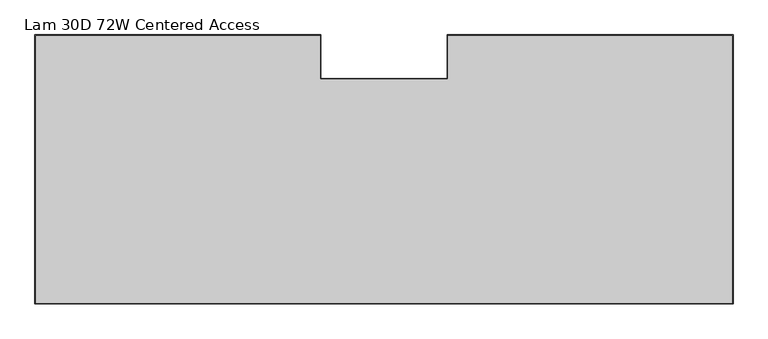
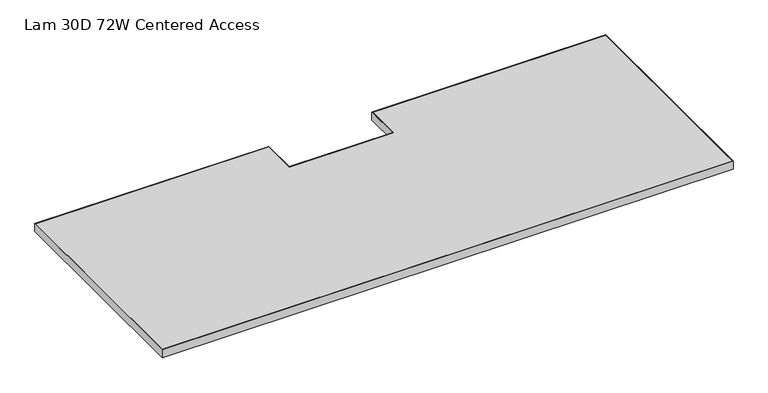
"""IFC4 building model written with IfcOpenShell, lengths in millimetres: furniture geometry, Lam 30D 72W Centered Access."""

import ifcopenshell
import ifcopenshell.guid

model = None  # the IFC model being written
_history = None  # IfcOwnerHistory: only IFC2X3 demands one
_inside = {}  # id of a spatial element -> (the spatial element, [elements in it])
_under = {}  # id of a project, library or spatial element -> (it, [spatial elements below it])
_declared = {}  # id of a project -> (the project, [libraries it declares])
_typed = {}  # id of a type object -> (the type object, [elements of that type])
_made_of = {}  # id of a material, layer set ... -> (it, [elements and type objects made of it])


def new_model(schema):
    """Start an empty IFC model of exactly this schema.

    Asked for "IFC4X3", IfcOpenShell would pick the latest addendum, in which some entities
    have other attributes; the version numbers below select the first issue.
    IFC2X3 requires an IfcOwnerHistory on every rooted entity: one is made here for all.
    """
    global model, _history
    if schema == "IFC4X3":
        model = ifcopenshell.file(schema_version=(4, 3, 0, 0))
    else:
        model = ifcopenshell.file(schema=schema)
    _inside.clear()
    _under.clear()
    _declared.clear()
    _typed.clear()
    _made_of.clear()
    _history = None
    if model.schema == "IFC2X3":
        org = make("IfcOrganization", Name="unknown")
        user = make(
            "IfcPersonAndOrganization",
            ThePerson=make("IfcPerson", FamilyName="unknown"),
            TheOrganization=org,
        )
        app = make(
            "IfcApplication",
            ApplicationDeveloper=org,
            Version="unknown",
            ApplicationFullName="unknown",
            ApplicationIdentifier="unknown",
        )
        _history = make(
            "IfcOwnerHistory",
            OwningUser=user,
            OwningApplication=app,
            ChangeAction="ADDED",
            CreationDate=0,
        )
    return model


def make(cls, **values):
    """One entity of the class cls with the attributes given. An attribute that is None is left unset."""
    return model.create_entity(
        cls, **{name: value for name, value in values.items() if value is not None}
    )


def rooted(cls, **values):
    """An entity with a GlobalId (a new one), such as an element, a storey or a relation."""
    return make(cls, GlobalId=ifcopenshell.guid.new(), OwnerHistory=_history, **values)


def si_unit(unit_type, name, prefix=None):
    """IfcSIUnit, for example si_unit("LENGTHUNIT", "METRE", prefix="MILLI")."""
    return make("IfcSIUnit", UnitType=unit_type, Prefix=prefix, Name=name)


def assignment(units):
    """IfcUnitAssignment: the units of a project."""
    return None if units is None else make("IfcUnitAssignment", Units=units)


def point(xyz):
    """IfcCartesianPoint."""
    return None if xyz is None else make("IfcCartesianPoint", Coordinates=xyz)


def direction(xyz):
    """IfcDirection."""
    return None if xyz is None else make("IfcDirection", DirectionRatios=xyz)


def frame(location, z_axis=None, x_axis=None):
    """IfcAxis2Placement3D, a coordinate frame: its origin and axes. An axis left out is left unset."""
    return make(
        "IfcAxis2Placement3D",
        Location=point(location),
        Axis=direction(z_axis),
        RefDirection=direction(x_axis),
    )


def origin():
    """The frame at (0, 0, 0) with its axes left unset."""
    return frame((0.0, 0.0, 0.0))


def place(relative_to, where):
    """IfcLocalPlacement: puts the frame where relative to a parent placement (None: the world)."""
    return make(
        "IfcLocalPlacement", PlacementRelTo=relative_to, RelativePlacement=where
    )


def context(
    kind, dimensions, precision=None, world=None, true_north=None, identifier=None
):
    """IfcGeometricRepresentationContext, for example the 3D "Model" context."""
    return make(
        "IfcGeometricRepresentationContext",
        ContextIdentifier=identifier,
        ContextType=kind,
        CoordinateSpaceDimension=dimensions,
        Precision=precision,
        WorldCoordinateSystem=world,
        TrueNorth=true_north,
    )


def project(units=None, contexts=None):
    """IfcProject with its units and contexts."""
    return rooted(
        "IfcProject",
        Name="project",
        RepresentationContexts=contexts,
        UnitsInContext=assignment(units),
    )


def spatial(cls, under=None, at=None, **own):
    """A site, building, storey or space (cls), placed at a placement, below another one or the project."""
    s = rooted(cls, ObjectPlacement=at, **own)
    if under is not None:
        _under.setdefault(under.id(), (under, []))[1].append(s)
    return s


def polyline(points):
    """IfcPolyline through the points."""
    return make("IfcPolyline", Points=[point(p) for p in points])


def outline(outer, holes=None, kind="AREA"):
    """IfcArbitraryClosedProfileDef: a profile drawn as a closed curve; with holes, ...WithVoids."""
    if holes is None:
        return make("IfcArbitraryClosedProfileDef", ProfileType=kind, OuterCurve=outer)
    return make(
        "IfcArbitraryProfileDefWithVoids",
        ProfileType=kind,
        OuterCurve=outer,
        InnerCurves=holes,
    )


def extrude(swept, where, along, depth):
    """IfcExtrudedAreaSolid: the profile swept, set in the frame where, extruded along a direction by depth."""
    return make(
        "IfcExtrudedAreaSolid",
        SweptArea=swept,
        Position=where,
        ExtrudedDirection=direction(along),
        Depth=depth,
    )


def shape(context_of_items, identifier, shape_type, items):
    """IfcShapeRepresentation: the items that make up one representation, for example the "Body"."""
    return make(
        "IfcShapeRepresentation",
        ContextOfItems=context_of_items,
        RepresentationIdentifier=identifier,
        RepresentationType=shape_type,
        Items=items,
    )


def source(mapping_origin, context_of_items, identifier, shape_type, items):
    """IfcRepresentationMap: a shape defined once, which mapped items show again and again."""
    return make(
        "IfcRepresentationMap",
        MappingOrigin=mapping_origin,
        MappedRepresentation=shape(context_of_items, identifier, shape_type, items),
    )


def transform(
    local_origin,
    x_axis=None,
    y_axis=None,
    z_axis=None,
    scale=None,
    scale2=None,
    scale3=None,
    uniform=True,
):
    """IfcCartesianTransformationOperator3D, or its non-uniform kind. x_axis, y_axis, z_axis: its Axis1, 2, 3."""
    if uniform:
        return make(
            "IfcCartesianTransformationOperator3D",
            Axis1=direction(x_axis),
            Axis2=direction(y_axis),
            LocalOrigin=point(local_origin),
            Scale=scale,
            Axis3=direction(z_axis),
        )
    return make(
        "IfcCartesianTransformationOperator3DnonUniform",
        Axis1=direction(x_axis),
        Axis2=direction(y_axis),
        LocalOrigin=point(local_origin),
        Scale=scale,
        Axis3=direction(z_axis),
        Scale2=scale2,
        Scale3=scale3,
    )


def mapped(mapping_source, mapping_target):
    """IfcMappedItem: shows the shape of a source again, moved by a transform."""
    return make(
        "IfcMappedItem", MappingSource=mapping_source, MappingTarget=mapping_target
    )


def made_of(thing, what):
    """Note that an element or type object is made of a material, layer set ...; save() writes the relation."""
    if what is not None:
        _made_of.setdefault(what.id(), (what, []))[1].append(thing)
    return thing


def element(
    cls,
    number,
    at=None,
    inside=None,
    cuts=None,
    type_object=None,
    material=None,
    context=None,
    identifier="Body",
    shape_type=None,
    held_by="IfcProductDefinitionShape",
    body=None,
    shapes=None,
    **own,
):
    """One element of the class cls, such as IfcWall. Its Tag is "e" and its number.

    at: its placement. inside: the storey or other place that contains it. cuts: it is an
    opening in that element (IfcRelVoidsElement). A single representation is given by context,
    identifier, shape_type and body (its items); several are given by shapes. held_by: the class
    of the entity that holds the representations. save() writes the other relations.
    """
    e = rooted(cls, Tag="e%d" % number, ObjectPlacement=at, **own)
    if body is not None:
        shapes = [shape(context, identifier, shape_type, body)]
    if shapes is not None:
        e.Representation = make(held_by, Representations=shapes)
    if inside is not None:
        _inside.setdefault(inside.id(), (inside, []))[1].append(e)
    if cuts is not None:
        rooted(
            "IfcRelVoidsElement", RelatingBuildingElement=cuts, RelatedOpeningElement=e
        )
    if type_object is not None:
        _typed.setdefault(type_object.id(), (type_object, []))[1].append(e)
    return made_of(e, material)


def aggregate(whole, parts):
    """IfcRelAggregates: a whole, such as a stair, and the parts it consists of."""
    return rooted("IfcRelAggregates", RelatingObject=whole, RelatedObjects=parts)


def save(model, path):
    """Write the relations noted so far, then the file.

    IfcRelAggregates (storeys below a building ...), IfcRelContainedInSpatialStructure (elements
    in a storey), IfcRelDefinesByType, IfcRelAssociatesMaterial and IfcRelDeclares: one each for
    every whole, place, type object, material and project.
    """
    for whole, parts in _under.values():
        aggregate(whole, parts)
    for where, things in _inside.values():
        rooted(
            "IfcRelContainedInSpatialStructure",
            RelatedElements=things,
            RelatingStructure=where,
        )
    for kind, things in _typed.values():
        rooted("IfcRelDefinesByType", RelatedObjects=things, RelatingType=kind)
    for what, things in _made_of.values():
        rooted("IfcRelAssociatesMaterial", RelatedObjects=things, RelatingMaterial=what)
    for by, libraries in _declared.values():
        rooted("IfcRelDeclares", RelatingContext=by, RelatedDefinitions=libraries)
    model.write(path)


def lam_30d_72w_centered_access_6b8c7cd1(model_context):
    return source(origin(), model_context, "Body", "SweptSolid", [
        extrude(outline(polyline([(1825.7520029, -54.1019984), (1825.7520029, -758.8250121), (0.0, -758.8250121), (0.0, -54.1019984), (748.0299952, -54.1019984), (748.0299952, -168.1480031), (1077.7220078, -168.1480031), (1077.7220078, -54.1019984), (1825.7520029, -54.1019984)]), holes=[polyline([(1.6002, -55.7021984), (1.6002, -757.2248121), (1824.1518029, -757.2248121), (1824.1518029, -55.7021984), (1079.3222078, -55.7021984), (1079.3222078, -169.7482031), (746.4297952, -169.7482031), (746.4297952, -55.7021984), (1.6002, -55.7021984)])]), frame((0.0, 0.0, 697.23), z_axis=(0.0, 0.0, 1.0), x_axis=(1.0, 0.0, 0.0)), (0.0, 0.0, 1.0), 26.67),
        extrude(outline(polyline([(1.6002, -757.2248121), (1.6002, -55.7021984), (746.4297952, -55.7021984), (746.4297952, -169.7482031), (1079.3222078, -169.7482031), (1079.3222078, -55.7021984), (1824.1518029, -55.7021984), (1824.1518029, -757.2248121), (1.6002, -757.2248121)])), frame((0.0, 0.0, 697.23), z_axis=(0.0, 0.0, 1.0), x_axis=(1.0, 0.0, 0.0)), (0.0, 0.0, 1.0), 26.67),
    ])


if __name__ == "__main__":
    model = new_model("IFC4")
    model_context = context("Model", 3, world=origin())
    ifc_project = project(units=[si_unit("LENGTHUNIT", "METRE", prefix="MILLI")], contexts=[model_context])
    site = spatial("IfcSite", under=ifc_project)
    building = spatial("IfcBuilding", under=site)
    placement = place(None, origin())
    lam_30d_72w_centered_access_shape = lam_30d_72w_centered_access_6b8c7cd1(model_context)
    element("IfcFurniture", 1, ObjectType="Lam 30D 72W Centered Access", at=placement, inside=building, context=model_context, shape_type="MappedRepresentation", body=[
        mapped(lam_30d_72w_centered_access_shape, transform((0.0, 0.0, 0.0), x_axis=(1.0, 0.0, 0.0), y_axis=(0.0, 1.0, 0.0), z_axis=(0.0, 0.0, 1.0))),
    ])
    save(model, "model.ifc")
